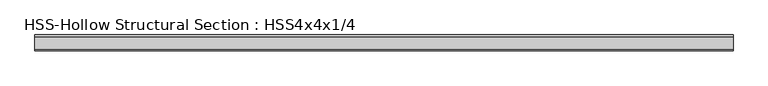
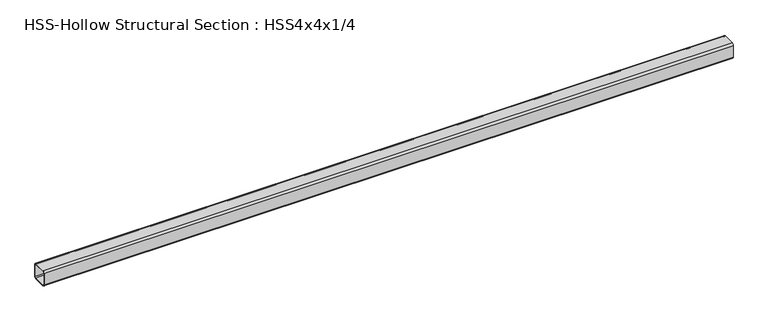
"""IFC4 building model written with IfcOpenShell, lengths in millimetres: member geometry, HSS-Hollow Structural Section : HSS4x4x1/4."""

from ifc_helpers import new_model, si_unit, point, frame, frame_2d, origin, place, context, project, spatial, polyline, circle_curve, trimmed, segment, composite_curve, outline, extrude, source, transform, mapped, element, save


def hss_hollow_structural_section_hss4x4x1_4_e34c50e1(model_context):
    return source(origin(), model_context, "Body", "SweptSolid", [
        extrude(outline(composite_curve([segment(polyline([(50.8, 38.9636), (50.8, -38.9636)]), True, "CONTINUOUS"), segment(trimmed(circle_curve(frame_2d((38.9636, -38.9636)), 11.8364), [point((50.8, -38.9636))], [point((38.9636, -50.8))], False, "CARTESIAN"), True, "CONTINUOUS"), segment(polyline([(38.9636, -50.8), (-38.9636, -50.8)]), True, "CONTINUOUS"), segment(trimmed(circle_curve(frame_2d((-38.9636, -38.9636)), 11.8364), [point((-38.9636, -50.8))], [point((-50.8, -38.9636))], False, "CARTESIAN"), True, "CONTINUOUS"), segment(polyline([(-50.8, -38.9636), (-50.8, 38.9636)]), True, "CONTINUOUS"), segment(trimmed(circle_curve(frame_2d((-38.9636, 38.9636)), 11.8364), [point((-50.8, 38.9636))], [point((-38.9636, 50.8))], False, "CARTESIAN"), True, "CONTINUOUS"), segment(polyline([(-38.9636, 50.8), (38.9636, 50.8)]), True, "CONTINUOUS"), segment(trimmed(circle_curve(frame_2d((38.9636, 38.9636)), 11.8364), [point((38.9636, 50.8))], [point((50.8, 38.9636))], False, "CARTESIAN"), True, "CONTINUOUS")], self_intersect=False), holes=[composite_curve([segment(trimmed(circle_curve(frame_2d((-38.9636, 38.9636)), 5.9182), [point((-38.9636, 44.8818))], [point((-44.8818, 38.9636))], True, "CARTESIAN"), True, "CONTINUOUS"), segment(polyline([(-44.8818, 38.9636), (-44.8818, -38.9636)]), True, "CONTINUOUS"), segment(trimmed(circle_curve(frame_2d((-38.9636, -38.9636)), 5.9182), [point((-44.8818, -38.9636))], [point((-38.9636, -44.8818))], True, "CARTESIAN"), True, "CONTINUOUS"), segment(polyline([(-38.9636, -44.8818), (38.9636, -44.8818)]), True, "CONTINUOUS"), segment(trimmed(circle_curve(frame_2d((38.9636, -38.9636)), 5.9182), [point((38.9636, -44.8818))], [point((44.8818, -38.9636))], True, "CARTESIAN"), True, "CONTINUOUS"), segment(polyline([(44.8818, -38.9636), (44.8818, 38.9636)]), True, "CONTINUOUS"), segment(trimmed(circle_curve(frame_2d((38.9636, 38.9636)), 5.9182), [point((44.8818, 38.9636))], [point((38.9636, 44.8818))], True, "CARTESIAN"), True, "CONTINUOUS"), segment(polyline([(38.9636, 44.8818), (-38.9636, 44.8818)]), True, "CONTINUOUS")], self_intersect=False)]), frame((-2268.1565696, 0.0, 0.0), z_axis=(1.0, 0.0, 0.0), x_axis=(0.0, 1.0, 0.0)), (0.0, 0.0, 1.0), 4428.9288024),
    ])


if __name__ == "__main__":
    model = new_model("IFC4")
    model_context = context("Model", 3, world=origin())
    ifc_project = project(units=[si_unit("LENGTHUNIT", "METRE", prefix="MILLI")], contexts=[model_context])
    site = spatial("IfcSite", under=ifc_project)
    building = spatial("IfcBuilding", under=site)
    placement = place(None, origin())
    hss_hollow_structural_section_hss4x4x1_4_shape = hss_hollow_structural_section_hss4x4x1_4_e34c50e1(model_context)
    element("IfcMember", 1, ObjectType="HSS-Hollow Structural Section : HSS4x4x1/4", at=placement, inside=building, context=model_context, shape_type="MappedRepresentation", body=[
        mapped(hss_hollow_structural_section_hss4x4x1_4_shape, transform((0.0, 0.0, 0.0), x_axis=(1.0, 0.0, 0.0), y_axis=(0.0, 1.0, 0.0), z_axis=(0.0, 0.0, 1.0))),
    ])
    save(model, "model.ifc")
